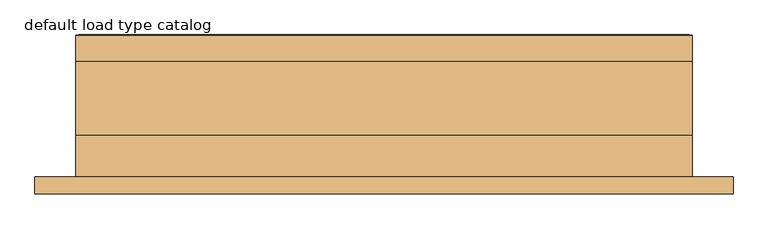
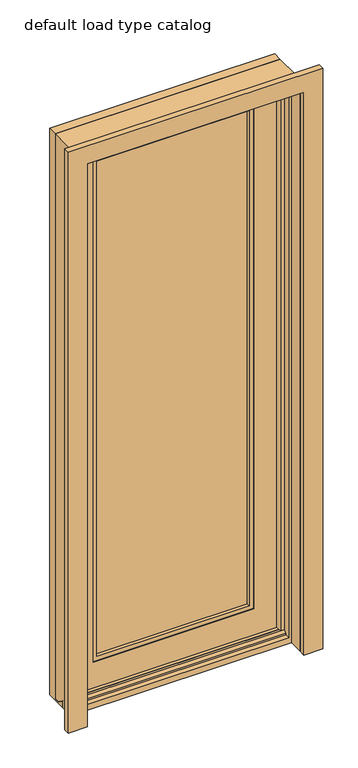
"""IFC4 building model written with IfcOpenShell, lengths in millimetres: door geometry, default load type catalog."""

from ifc_helpers import new_model, si_unit, frame, origin, place, context, project, spatial, polyline, outline, extrude, faceted_brep, source, transform, mapped, element, save


def default_load_type_catalog_bba01033(model_context):
    return source(origin(), model_context, "Body", "SolidModel", [
        extrude(outline(polyline([(2422.525, -441.325), (2422.525, 441.325), (0.0, 441.325), (0.0, 517.525), (2498.725, 517.525), (2498.725, -517.525), (0.0, -517.525), (0.0, -441.325), (2422.525, -441.325)])), frame((0.0, -114.3, 0.0), z_axis=(0.0, 1.0, 0.0), x_axis=(0.0, 0.0, 1.0)), (0.0, 0.0, 1.0), 25.4),
        extrude(outline(polyline([(430.2358928, 79.3780132), (430.2358928, 54.8280198), (-430.2358928, 54.8280198), (-430.2358928, 79.3780132), (430.2358928, 79.3780132)])), frame((0.0, 0.0, 8.0386046), z_axis=(0.0, 0.0, 1.0), x_axis=(1.0, 0.0, 0.0)), (0.0, 0.0, 1.0), 22.1238954),
        faceted_brep([(457.2, 33.8528053, 0.0), (-457.2, 33.8528053, 0.0), (-457.2, 121.8206543, 0.0), (457.2, 121.8206543, 0.0), (-457.2, 33.8528053, 23.5204), (-457.2, 39.6722918, 23.5204), (-457.2, 61.2876386, 7.6200113), (-457.2, 82.8445352, 7.6200113), (-457.2, 82.8445352, 2438.4), (-457.2, 120.8166449, 2438.4), (-457.2, 120.8166449, 7.6200113), (-457.2, 121.8206543, 7.6200113), (457.2, 120.8166449, 2438.4), (457.2, 120.8166449, 7.6200113), (454.914, 120.8166449, 7.6200113), (454.914, 120.8166449, 2436.114), (-454.914, 120.8166449, 2436.114), (-454.914, 120.8166449, 7.6200113), (-454.914, 111.8385955, 2436.114), (-454.914, 111.8385955, 7.6200113), (454.914, 111.8385955, 2436.114), (454.914, 111.8385955, 7.6200113), (452.1962, 111.8385955, 7.6200113), (452.1962, 111.8385955, 2433.3962), (-452.1962, 111.8385955, 2433.3962), (-452.1962, 111.8385955, 7.6200113), (-452.1962, 121.8206543, 2433.3962), (-452.1962, 121.8206543, 7.6200113), (452.1962, 121.8206543, 2433.3962), (452.1962, 121.8206543, 7.6200113), (457.2, 121.8206543, 7.6200113), (-447.436267, 121.8206543, 2428.636267), (-447.436267, 121.8206543, 7.6200113), (447.436267, 121.8206543, 7.6200113), (447.436267, 121.8206543, 2428.636267), (-442.9738559, 120.4019432, 2424.1738559), (-442.9738559, 120.4019432, 7.6200113), (442.9738559, 120.4019432, 2424.1738559), (442.9738559, 120.4019432, 7.6200113), (437.1299868, 120.4019432, 7.6200113), (437.1299868, 120.4019432, 2418.3299868), (-437.1299868, 120.4019432, 2418.3299868), (-437.1299868, 120.4019432, 7.6200113), (-437.1299868, 93.5668243, 2418.3299868), (-437.1299868, 93.5668243, 7.6200113), (437.1299868, 93.5668243, 2418.3299868), (437.1299868, 93.5668243, 7.6200113), (430.2358928, 93.5668243, 7.6200113), (430.2358928, 93.5668243, 2411.4358928), (-430.2358928, 93.5668243, 2411.4358928), (-430.2358928, 93.5668243, 7.6200113), (-430.2358928, 82.8445352, 2411.4358928), (-430.2358928, 82.8445352, 7.6200113), (430.2358928, 82.8445352, 2411.4358928), (430.2358928, 82.8445352, 7.6200113), (457.2, 82.8445352, 7.6200113), (457.2, 82.8445352, 2438.4), (457.2, 61.2876386, 7.6200113), (457.2, 39.6722918, 23.5204), (457.2, 33.8528053, 23.5204)], [[[0, 1, 2, 3]], [[2, 1, 4, 5, 6, 7, 8, 9, 10, 11]], [[9, 12, 13, 14, 15, 16, 17, 10]], [[16, 18, 19, 17]], [[18, 20, 21, 22, 23, 24, 25, 19]], [[24, 26, 27, 25]], [[3, 2, 11, 27, 26, 28, 29, 30], [31, 32, 33, 34]], [[31, 35, 36, 32]], [[35, 37, 38, 39, 40, 41, 42, 36]], [[41, 43, 44, 42]], [[43, 45, 46, 47, 48, 49, 50, 44]], [[49, 51, 52, 50]], [[51, 53, 54, 55, 56, 8, 7, 52]], [[9, 8, 56, 12]], [[16, 15, 20, 18]], [[24, 23, 28, 26]], [[31, 34, 37, 35]], [[41, 40, 45, 43]], [[49, 48, 53, 51]], [[12, 56, 55, 57, 58, 59, 0, 3, 30, 13]], [[20, 15, 14, 21]], [[28, 23, 22, 29]], [[37, 34, 33, 38]], [[45, 40, 39, 46]], [[53, 48, 47, 54]], [[11, 10, 17, 19, 25, 27]], [[13, 30, 29, 22, 21, 14]], [[6, 57, 55, 54, 47, 46, 39, 38, 33, 32, 36, 42, 44, 50, 52, 7]], [[58, 57, 6, 5]], [[59, 58, 5, 4]], [[0, 59, 4, 1]]]),
        faceted_brep([(426.1949527, 93.6552293, 2407.3949527), (426.1949527, 78.7318936, 2407.3949527), (426.1949527, 78.7318936, 30.1625), (426.1949527, 93.7192392, 30.1625), (-426.1949527, 93.7192392, 30.1625), (-426.1949527, 78.7318936, 30.1625), (-426.1949527, 78.7318936, 2407.3949527), (-426.1949527, 93.6552293, 2407.3949527), (-309.5654929, 93.7192392, 161.9377), (309.5654929, 93.7192392, 161.9377), (309.5654929, 93.7192392, 2290.7654929), (-309.5654929, 93.7192392, 2290.7654929), (-309.5654929, 78.7318936, 161.9377), (309.5654929, 78.7318936, 161.9377), (-309.5654929, 78.7318936, 2290.7654929), (309.5654929, 78.7318936, 2290.7654929)], [[[0, 1, 2, 3]], [[4, 5, 6, 7]], [[0, 3, 4, 7], [8, 9, 10, 11]], [[9, 8, 12, 13]], [[2, 1, 6, 5], [13, 12, 14, 15]], [[4, 3, 2, 5]], [[11, 14, 12, 8]], [[6, 1, 0, 7]], [[15, 14, 11, 10]], [[15, 10, 9, 13]]]),
        faceted_brep([(426.1949527, 78.6803082, 2407.3949527), (426.1949527, 41.2169293, 2407.3949527), (426.1949527, 41.2169293, 30.1625), (426.1949527, 78.7318936, 30.1625), (-426.1949527, 78.7318936, 30.1625), (-426.1949527, 41.2169293, 30.1625), (-426.1949527, 41.2169293, 2407.3949527), (-426.1949527, 78.6803082, 2407.3949527), (-326.7866929, 78.7318936, 144.7165), (326.7866929, 78.7318936, 144.7165), (326.7866929, 78.7318936, 2307.9866929), (-326.7866929, 78.7318936, 2307.9866929), (-326.7866929, 57.3205293, 144.7165), (326.7866929, 57.3205293, 144.7165), (-326.7866929, 57.3205293, 2307.9866929), (326.7866929, 57.3205293, 2307.9866929), (-309.5411351, 57.3205293, 161.9593544), (309.5411351, 57.3205293, 161.9593544), (309.5438386, 57.3205293, 2290.7438386), (-309.5438386, 57.3205293, 2290.7438386), (-310.2493109, 43.8077293, 161.2511785), (310.2493109, 43.8077293, 161.2511785), (326.7866929, 43.8077293, 2307.9866929), (-326.7866929, 43.8077293, 2307.9866929), (-326.7866929, 43.8077293, 144.7165), (326.7866929, 43.8077293, 144.7165), (-310.2520144, 43.8077293, 2291.4520144), (310.2520144, 43.8077293, 2291.4520144), (-326.7866929, 41.2169293, 144.7165), (326.7866929, 41.2169293, 144.7165), (-326.7866929, 41.2169293, 2307.9866929), (326.7866929, 41.2169293, 2307.9866929)], [[[0, 1, 2, 3]], [[4, 5, 6, 7]], [[0, 3, 4, 7], [8, 9, 10, 11]], [[9, 8, 12, 13]], [[14, 15, 13, 12], [16, 17, 18, 19]], [[17, 16, 20, 21]], [[22, 23, 24, 25], [21, 20, 26, 27]], [[25, 24, 28, 29]], [[2, 1, 6, 5], [29, 28, 30, 31]], [[4, 3, 2, 5]], [[11, 14, 12, 8]], [[19, 26, 20, 16]], [[24, 23, 30, 28]], [[6, 1, 0, 7]], [[11, 10, 15, 14]], [[19, 18, 27, 26]], [[31, 30, 23, 22]], [[13, 15, 10, 9]], [[27, 18, 17, 21]], [[31, 22, 25, 29]]]),
        faceted_brep([(-457.2, 82.8445352, 0.0), (-430.2358928, 82.8445352, 0.0), (-430.2358928, 33.8528053, 0.0), (430.2358928, 33.8528053, 0.0), (430.2358928, 82.8445352, 0.0), (457.2, 82.8445352, 0.0), (457.2, -27.0074707, 0.0), (-457.2, -27.0074707, 0.0), (457.2, -27.0074707, 2438.4), (-457.2, -27.0074707, 2438.4), (430.2358928, -27.0074707, 2411.4358928), (430.2358928, -27.0074707, 25.4), (-430.2358928, -27.0074707, 25.4), (-430.2358928, -27.0074707, 2411.4358928), (-457.2, 82.8445352, 2438.4), (457.2, 82.8445352, 2438.4), (430.2358928, 82.8445352, 2411.4358928), (-430.2358928, 82.8445352, 2411.4358928), (-430.2358928, 33.4098558, 2411.4358928), (-430.2358928, 33.4098558, 38.6842), (-430.2358928, 33.8528053, 38.6842), (430.2358928, 33.4098558, 2411.4358928), (430.2358928, 33.4098558, 38.6842), (415.1122, 33.4098558, 38.6842), (415.1122, 33.4098558, 2396.3122), (-415.1122, 33.4098558, 2396.3122), (-415.1122, 33.4098558, 38.6842), (-415.1122, 4.8348558, 2396.3122), (-415.1122, 4.8348558, 41.4782), (-415.1122, 14.4453293, 41.4782), (-415.1122, 18.1530925, 38.6842), (415.1122, 4.8348558, 2396.3122), (415.1122, 4.8348558, 41.4782), (430.2358928, 4.8348558, 41.3927266), (430.2358928, 4.8348558, 2411.4358928), (-430.2358928, 4.8348558, 2411.4358928), (-430.2358928, 4.8348558, 41.4782), (-430.2358928, -5.5952707, 25.4), (-430.2358928, -5.5952707, 30.9626), (430.2358928, 33.8528053, 38.6842), (415.1122, 18.1530925, 38.6842), (415.1122, 14.4453293, 41.4782), (430.2358928, -5.5952707, 30.9626), (430.2358928, -5.5952707, 25.4)], [[[0, 1, 2, 3, 4, 5, 6, 7]], [[7, 6, 8, 9], [10, 11, 12, 13]], [[7, 9, 14, 0]], [[1, 0, 14, 15, 5, 4, 16, 17]], [[1, 17, 18, 19, 20, 2]], [[18, 21, 22, 23, 24, 25, 26, 19]], [[25, 27, 28, 29, 30, 26]], [[27, 31, 32, 33, 34, 35, 36, 28]], [[35, 13, 12, 37, 38, 36]], [[9, 8, 15, 14]], [[17, 16, 21, 18]], [[25, 24, 31, 27]], [[10, 13, 35, 34]], [[8, 6, 5, 15]], [[16, 4, 3, 39, 22, 21]], [[31, 24, 23, 40, 41, 32]], [[10, 34, 33, 42, 43, 11]], [[3, 2, 20, 39]], [[39, 20, 19, 26, 30, 40, 23, 22]], [[40, 30, 29, 41]], [[28, 32, 41, 29]], [[32, 28, 36, 38, 42, 33]], [[42, 38, 37, 43]], [[12, 11, 43, 37]]]),
        extrude(outline(polyline([(0.0, 441.325), (0.0, 457.2), (2438.4, 457.2), (2438.4, -457.2), (0.0, -457.2), (0.0, -441.325), (2422.525, -441.325), (2422.525, 441.325), (0.0, 441.325)])), frame((0.0, -88.9, 0.0), z_axis=(0.0, 1.0, 0.0), x_axis=(0.0, 0.0, 1.0)), (0.0, 0.0, 1.0), 61.9125),
        extrude(outline(polyline([(322.2781929, 57.6935918), (-322.2781929, 57.6935918), (-322.2781929, 78.1326543), (322.2781929, 78.1326543), (322.2781929, 57.6935918)])), frame((0.0, 0.0, 149.225), z_axis=(0.0, 0.0, 1.0), x_axis=(1.0, 0.0, 0.0)), (0.0, 0.0, 1.0), 2154.2531929),
    ])


if __name__ == "__main__":
    model = new_model("IFC4")
    model_context = context("Model", 3, world=origin())
    ifc_project = project(units=[si_unit("LENGTHUNIT", "METRE", prefix="MILLI")], contexts=[model_context])
    site = spatial("IfcSite", under=ifc_project)
    building = spatial("IfcBuilding", under=site)
    placement = place(None, origin())
    default_load_type_catalog_shape = default_load_type_catalog_bba01033(model_context)
    element("IfcDoor", 1, ObjectType="default load type catalog", at=placement, inside=building, context=model_context, shape_type="MappedRepresentation", body=[
        mapped(default_load_type_catalog_shape, transform((0.0, 0.0, 0.0), x_axis=(1.0, 0.0, 0.0), y_axis=(0.0, 1.0, 0.0), z_axis=(0.0, 0.0, 1.0))),
    ])
    save(model, "model.ifc")
